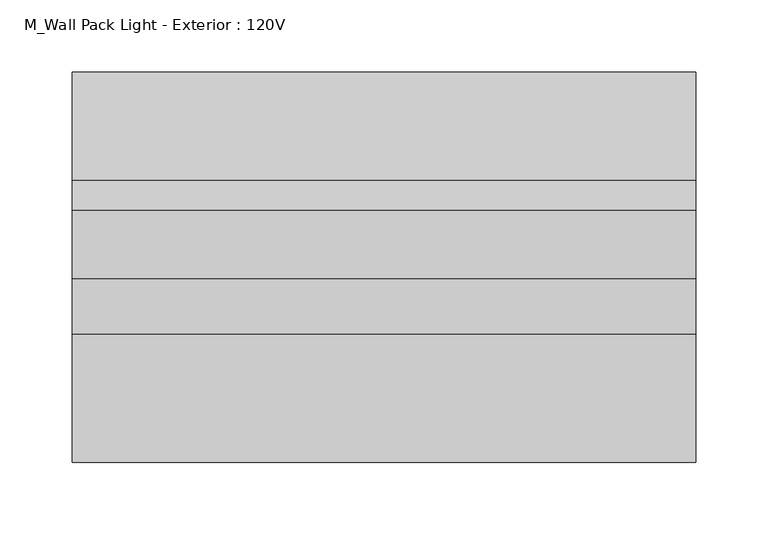
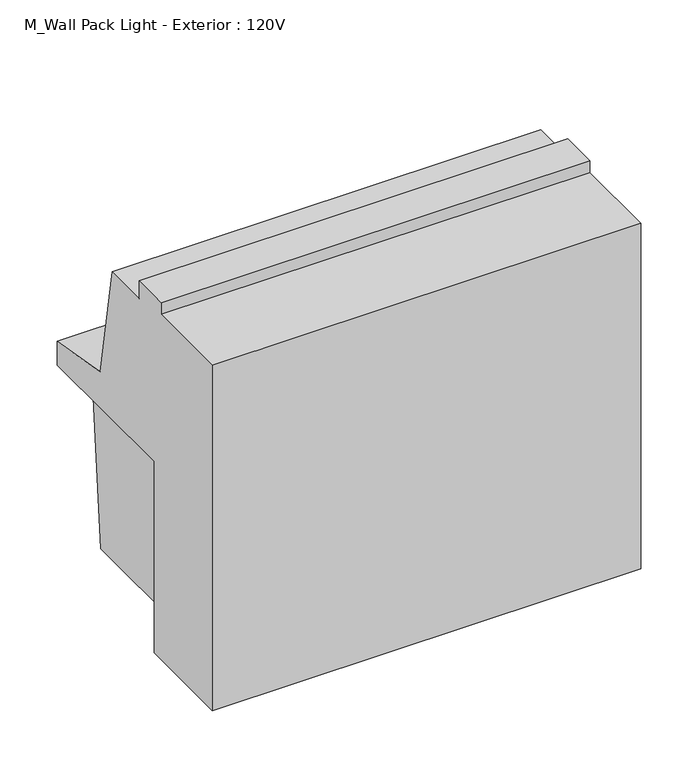
"""IFC4 building model written with IfcOpenShell, lengths in millimetres: light fixture geometry, M_Wall Pack Light - Exterior : 120V."""

from ifc_helpers import new_model, si_unit, frame, origin, place, context, project, spatial, polyline, outline, extrude, source, transform, mapped, element, save


def m_wall_pack_light_exterior_120v_b8057764(model_context):
    return source(origin(), model_context, "Body", "SweptSolid", [
        extrude(outline(polyline([(438.820745, 2350.75), (301.6, 2350.75), (301.6, 2534.9), (453.9170754, 2534.9), (438.820745, 2350.75)])), frame((-68.7349223, 0.0, 0.0), z_axis=(1.0, 0.0, 0.0), x_axis=(0.0, 1.0, 0.0)), (0.0, 0.0, 1.0), 380.9989788),
        extrude(outline(polyline([(288.9, 2712.7), (327.0, 2712.7), (327.0, 2693.65), (374.440971, 2693.65), (395.4426549, 2574.5435323), (470.4850056, 2561.3115412), (470.4850056, 2535.9115412), (301.6, 2535.9115412), (301.6, 2331.7), (200.0, 2331.7), (200.0, 2700.0), (288.9, 2700.0), (288.9, 2712.7)])), frame((-94.1359435, 0.0, 0.0), z_axis=(1.0, 0.0, 0.0), x_axis=(0.0, 1.0, 0.0)), (0.0, 0.0, 1.0), 431.8),
    ])


if __name__ == "__main__":
    model = new_model("IFC4")
    model_context = context("Model", 3, world=origin())
    ifc_project = project(units=[si_unit("LENGTHUNIT", "METRE", prefix="MILLI")], contexts=[model_context])
    site = spatial("IfcSite", under=ifc_project)
    building = spatial("IfcBuilding", under=site)
    placement = place(None, origin())
    m_wall_pack_light_exterior_120v_shape = m_wall_pack_light_exterior_120v_b8057764(model_context)
    element("IfcLightFixture", 1, ObjectType="M_Wall Pack Light - Exterior : 120V", at=placement, inside=building, context=model_context, shape_type="MappedRepresentation", body=[
        mapped(m_wall_pack_light_exterior_120v_shape, transform((0.0, 0.0, 0.0), x_axis=(1.0, 0.0, 0.0), y_axis=(0.0, 1.0, 0.0), z_axis=(0.0, 0.0, 1.0))),
    ])
    save(model, "model.ifc")
